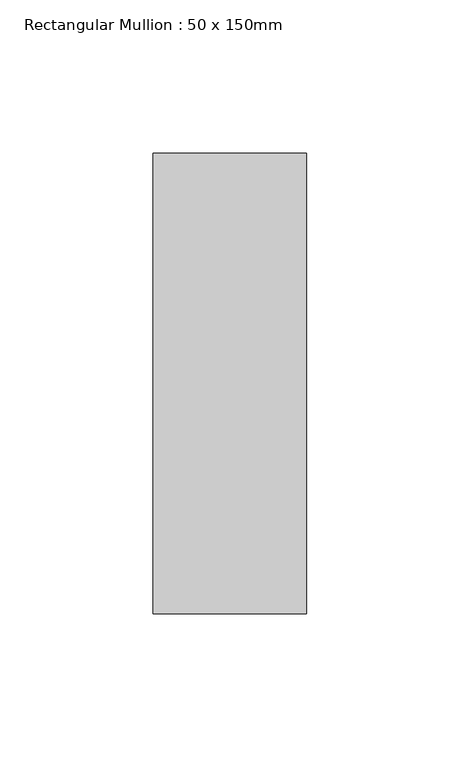
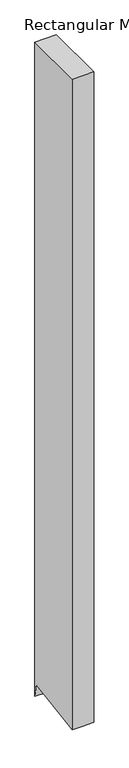
"""IFC4 building model written with IfcOpenShell, lengths in millimetres: member geometry, Rectangular Mullion : 50 x 150mm."""

from ifc_helpers import new_model, si_unit, origin, place, context, project, spatial, faceted_brep, source, transform, mapped, element, save


def rectangular_mullion_50_x_150mm_f04bb32b(model_context):
    return source(origin(), model_context, "Body", "Brep", [
        faceted_brep([(25.0, 75.0, 0.0), (-25.0, 75.0, 0.0), (-25.0, -75.0, 0.0), (25.0, -75.0, 0.0), (25.0, 75.0, -1607.6067836), (0.0, 75.0, -1607.6067836), (-25.0, 75.0, -1607.6067836), (-25.0, 70.5326896, -1577.4165991), (-25.0, -75.0, -1598.9514028), (0.0, -75.0, -1598.9514028), (25.0, -75.0, -1598.9514028), (25.0, 70.5326896, -1577.4165991), (0.0, 70.5326896, -1577.4165991)], [[[0, 1, 2, 3]], [[1, 0, 4, 5, 6]], [[2, 1, 6, 7, 8]], [[3, 2, 8, 9, 10]], [[0, 3, 10, 11, 4]], [[4, 11, 12, 5]], [[11, 10, 9, 12]], [[9, 8, 7, 12]], [[7, 6, 5, 12]]]),
    ])


if __name__ == "__main__":
    model = new_model("IFC4")
    model_context = context("Model", 3, world=origin())
    ifc_project = project(units=[si_unit("LENGTHUNIT", "METRE", prefix="MILLI")], contexts=[model_context])
    site = spatial("IfcSite", under=ifc_project)
    building = spatial("IfcBuilding", under=site)
    placement = place(None, origin())
    rectangular_mullion_50_x_150mm_shape = rectangular_mullion_50_x_150mm_f04bb32b(model_context)
    element("IfcMember", 1, ObjectType="Rectangular Mullion : 50 x 150mm", at=placement, inside=building, context=model_context, shape_type="MappedRepresentation", body=[
        mapped(rectangular_mullion_50_x_150mm_shape, transform((0.0, 0.0, 0.0), x_axis=(1.0, 0.0, 0.0), y_axis=(0.0, 1.0, 0.0), z_axis=(0.0, 0.0, 1.0))),
    ])
    save(model, "model.ifc")
